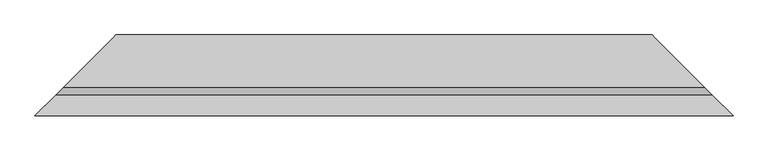
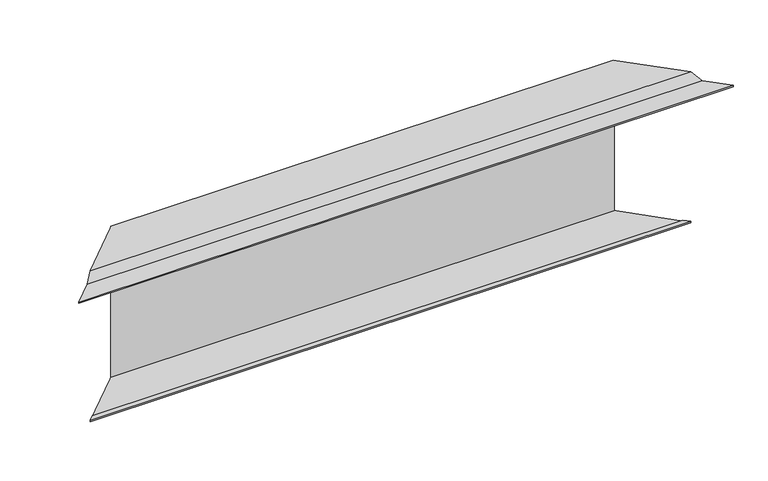
"""IFC4 building model written with IfcOpenShell, lengths in millimetres: proxy geometry."""

from ifc_helpers import new_model, si_unit, origin, place, context, project, spatial, faceted_brep, source, transform, mapped, element, save


def generic_models_b3390c08(model_context):
    return source(origin(), model_context, "Body", "Brep", [
        faceted_brep([(-150.8492424, -150.8492424, 2.0), (1182.5549159, -150.8492424, 2.0), (1182.5549159, -150.8492424, 5.0), (-150.8492424, -150.8492424, 5.0), (-140.8492424, -140.8492424, 2.0), (1172.5549159, -140.8492424, 2.0), (-140.8492424, -140.8492424, 3.0), (1172.5549159, -140.8492424, 3.0), (-149.8492424, -149.8492424, 3.0), (1181.5549159, -149.8492424, 3.0), (-149.8492424, -149.8492424, 4.0), (1181.5549159, -149.8492424, 4.0), (-110.4350288, -110.4350288, 4.0), (1142.1407023, -110.4350288, 4.0), (3.0, 3.0, -304.0), (1028.7056735, 3.0, -304.0), (1028.7056735, 3.0, 18.8492424), (3.0, 3.0, 18.8492424), (-95.0, -95.0, -304.0), (1126.7056735, -95.0, -304.0), (1031.7056735, 0.0, -304.0), (0.0, 0.0, -304.0), (-95.0, -95.0, -303.0), (1126.7056735, -95.0, -303.0), (-86.0, -86.0, -303.0), (1117.7056735, -86.0, -303.0), (-86.0, -86.0, -302.0), (1117.7056735, -86.0, -302.0), (-96.0, -96.0, -302.0), (1127.7056735, -96.0, -302.0), (-96.0, -96.0, -305.0), (1127.7056735, -96.0, -305.0), (0.0, 0.0, -305.0), (4.0, 4.0, -305.0), (1027.7056735, 4.0, -305.0), (1031.7056735, 0.0, -305.0), (4.0, 4.0, 19.8492424), (1027.7056735, 4.0, 19.8492424), (1142.5549159, -110.8492424, 5.0), (-110.8492424, -110.8492424, 5.0), (-95.5857864, -95.5857864, 18.8492424), (1127.2914599, -95.5857864, 18.8492424), (0.0, 0.0, 18.8492424), (1031.7056735, 0.0, 18.8492424), (-96.0, -96.0, 19.8492424), (1127.7056735, -96.0, 19.8492424), (1031.7056735, 0.0, 19.8492424), (0.0, 0.0, 19.8492424)], [[[0, 1, 2, 3]], [[4, 5, 1, 0]], [[6, 7, 5, 4]], [[8, 9, 7, 6]], [[10, 11, 9, 8]], [[12, 13, 11, 10]], [[14, 15, 16, 17]], [[18, 19, 20, 15, 14, 21]], [[22, 23, 19, 18]], [[24, 25, 23, 22]], [[26, 27, 25, 24]], [[28, 29, 27, 26]], [[30, 31, 29, 28]], [[32, 33, 34, 35, 31, 30]], [[36, 37, 34, 33]], [[3, 2, 38, 39]], [[40, 41, 13, 12]], [[42, 17, 16, 43, 41, 40]], [[44, 45, 46, 37, 36, 47]], [[39, 38, 45, 44]], [[32, 30, 28, 26, 24, 22, 18, 21]], [[42, 40, 12, 10, 8, 6, 4, 0, 3, 39, 44, 47]], [[21, 14, 17, 42, 47, 36, 33, 32]], [[20, 19, 23, 25, 27, 29, 31, 35]], [[46, 45, 38, 2, 1, 5, 7, 9, 11, 13, 41, 43]], [[35, 34, 37, 46, 43, 16, 15, 20]]]),
    ])


if __name__ == "__main__":
    model = new_model("IFC4")
    model_context = context("Model", 3, world=origin())
    ifc_project = project(units=[si_unit("LENGTHUNIT", "METRE", prefix="MILLI")], contexts=[model_context])
    site = spatial("IfcSite", under=ifc_project)
    building = spatial("IfcBuilding", under=site)
    placement = place(None, origin())
    generic_models_shape = generic_models_b3390c08(model_context)
    element("IfcBuildingElementProxy", 1, Name="Generic Models", at=placement, inside=building, context=model_context, shape_type="MappedRepresentation", body=[
        mapped(generic_models_shape, transform((0.0, 0.0, 0.0), x_axis=(1.0, 0.0, 0.0), y_axis=(0.0, 1.0, 0.0), z_axis=(0.0, 0.0, 1.0))),
    ])
    save(model, "model.ifc")
